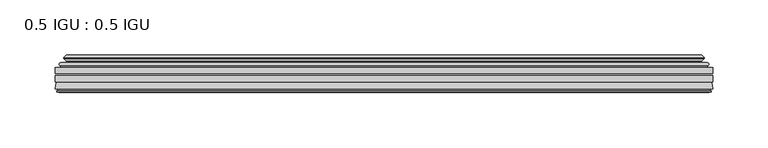
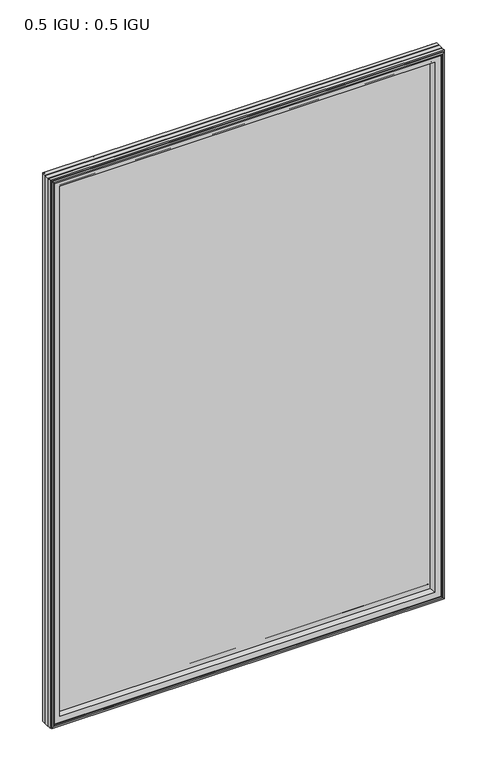
"""IFC4 building model written with IfcOpenShell, lengths in millimetres: plate geometry, 0.5 IGU : 0.5 IGU."""

from ifc_helpers import new_model, si_unit, frame, origin, place, context, project, spatial, polyline, ellipse_curve, outline, extrude, source, transform, mapped, element, save
from ifc_brep_helpers import plane_surface, cylinder_surface, revolved_surface, advanced_brep


def plate_0_5_igu_0_5_igu_fa25ef58(model_context):
    return source(origin(), model_context, "Body", "SolidModel", [
        extrude(outline(polyline([(296.8798663, -55.82285), (296.8798663, -61.48705), (-296.8656913, -61.48705), (-296.8656913, -55.82285), (296.8798663, -55.82285)])), frame((0.0, 0.0, -14.2875), z_axis=(0.0, 0.0, 1.0), x_axis=(1.0, 0.0, 0.0)), (0.0, 0.0, 1.0), 873.1287979),
        extrude(outline(polyline([(-296.8656913, -69.05625), (-296.8656913, -63.39205), (296.8798663, -63.39205), (296.8798663, -69.05625), (-296.8656913, -69.05625)])), frame((0.0, 0.0, -14.2875), z_axis=(0.0, 0.0, 1.0), x_axis=(1.0, 0.0, 0.0)), (0.0, 0.0, 1.0), 873.1287979),
        advanced_brep(
        [(-292.7631539, -54.3724927, 854.7349626), (-291.7186291, -51.60645, 853.6904378), (-291.7186291, -51.60645, -9.1404378), (-292.7631539, -54.3724927, -10.1849626), (-291.1267083, -55.82285, 853.098517), (-291.1267083, -55.82285, -8.548517), (-282.5781913, -45.63745, 844.55), (-278.9954674, -55.82285, 840.9672761), (-278.9954674, -55.82285, 3.5827239), (-282.5781913, -45.63745, 0.0), (-287.7641022, -46.8185491, 849.7359109), (-287.7641022, -46.8185491, -5.1859109), (-286.9670806, -44.8183085, 848.9388893), (-286.9670806, -44.8183085, -4.3888893), (-289.2508024, -47.135817, 851.2226111), (-289.2508024, -47.135817, -6.6726111), (-289.2508024, -47.8489429, 851.2226111), (-289.2508024, -47.8489429, -6.6726111), (-286.9670806, -50.1664515, 848.9388893), (-286.9670806, -50.1664515, -4.3888893), (-287.7564414, -48.1854367, 849.7282501), (-287.7564414, -48.1854367, -5.1782501), (-285.2326292, -48.027045, 847.2044379), (-285.2326292, -48.027045, -2.6544379), (-284.206813, -48.7147544, 846.1786217), (-284.206813, -48.7147544, -1.6286217), (-284.3252202, -50.1092231, 846.2970288), (-284.3252202, -50.1092231, -1.7470288), (-284.9269661, -51.60645, 846.8987748), (-284.9269661, -51.60645, -2.3487748), (291.7186291, -51.60645, -9.1404378), (292.7631539, -54.3724927, -10.1849626), (291.1267083, -55.82285, -8.548517), (278.9954674, -55.82285, 3.5827239), (282.5781913, -45.63745, 0.0), (287.7641022, -46.8185491, -5.1859109), (286.9670806, -44.8183085, -4.3888893), (289.2508024, -47.135817, -6.6726111), (289.2508024, -47.8489429, -6.6726111), (286.9670806, -50.1664515, -4.3888893), (287.7564414, -48.1854367, -5.1782501), (285.2326292, -48.027045, -2.6544379), (284.206813, -48.7147544, -1.6286217), (284.3252202, -50.1092231, -1.7470288), (284.9269661, -51.60645, -2.3487748), (291.7186291, -51.60645, 853.6904378), (292.7631539, -54.3724927, 854.7349626), (291.1267083, -55.82285, 853.098517), (278.9954674, -55.82285, 840.9672761), (282.5781913, -45.63745, 844.55), (287.7641022, -46.8185491, 849.7359109), (286.9670806, -44.8183085, 848.9388893), (289.2508024, -47.135817, 851.2226111), (289.2508024, -47.8489429, 851.2226111), (286.9670806, -50.1664515, 848.9388893), (287.7564414, -48.1854367, 849.7282501), (285.2326292, -48.027045, 847.2044379), (284.206813, -48.7147544, 846.1786217), (284.3252202, -50.1092231, 846.2970288), (284.9269661, -51.60645, 846.8987748)],
        [
            (0, 1, ellipse_curve(frame((-291.7102616, -53.1898501, 853.6820703), z_axis=(-0.7071067811865475, 0.0, -0.7071067811865475), x_axis=(-0.7071067811865474, 0.0, 0.7071067811865476)), 2.2392971, 1.5834222)),
            (1, 2),
            (2, 3, ellipse_curve(frame((-291.7102616, -53.1898501, -9.1320703), z_axis=(-0.7071067811865475, 0.0, 0.7071067811865475), x_axis=(0.7071067811865474, 0.0, 0.7071067811865476)), 2.2392971, 1.5834222)),
            (3, 0),
            (4, 0),
            (3, 5),
            (5, 4),
            (6, 7, ellipse_curve(frame((-250.2984374, -40.0058297, 812.270246), z_axis=(0.7071067811865475, 0.0, 0.7071067811865475), x_axis=(0.7071067811865474, 0.0, -0.7071067811865476)), 46.3399971, 32.7673262)),
            (7, 8),
            (8, 9, ellipse_curve(frame((-250.2984374, -40.0058297, 32.279754), z_axis=(0.7071067811865475, 0.0, -0.7071067811865475), x_axis=(-0.7071067811865474, 0.0, -0.7071067811865476)), 46.3399971, 32.7673262)),
            (9, 6),
            (10, 6),
            (9, 11),
            (11, 10),
            (12, 10),
            (11, 13),
            (13, 12),
            (14, 12),
            (13, 15),
            (15, 14),
            (16, 14, ellipse_curve(frame((-288.8889642, -47.49238, 850.8607729), z_axis=(-0.7071067811865475, 0.0, -0.7071067811865475), x_axis=(-0.7071067811865474, 0.0, 0.7071067811865476)), 0.7184205, 0.508)),
            (15, 17, ellipse_curve(frame((-288.8889642, -47.49238, -6.3107729), z_axis=(-0.7071067811865475, 0.0, 0.7071067811865475), x_axis=(0.7071067811865474, 0.0, 0.7071067811865476)), 0.7184205, 0.508)),
            (17, 16),
            (18, 16),
            (17, 19),
            (19, 18),
            (20, 18),
            (19, 21),
            (21, 20),
            (22, 20),
            (21, 23),
            (23, 22),
            (24, 22, ellipse_curve(frame((-285.1689913, -49.04105, 847.1408), z_axis=(0.7071067811865475, 0.0, 0.7071067811865475), x_axis=(0.7071067811865474, 0.0, -0.7071067811865476)), 1.436841, 1.016)),
            (23, 25, ellipse_curve(frame((-285.1689913, -49.04105, -2.5908), z_axis=(0.7071067811865475, 0.0, -0.7071067811865475), x_axis=(-0.7071067811865474, 0.0, -0.7071067811865476)), 1.436841, 1.016)),
            (25, 24),
            (26, 24, ellipse_curve(frame((-286.5405913, -49.21885, 848.5124), z_axis=(0.7071067811865475, 0.0, 0.7071067811865475), x_axis=(0.7071067811865474, 0.0, -0.7071067811865476)), 3.3765763, 2.3876)),
            (25, 27, ellipse_curve(frame((-286.5405913, -49.21885, -3.9624), z_axis=(0.7071067811865475, 0.0, -0.7071067811865475), x_axis=(-0.7071067811865474, 0.0, -0.7071067811865476)), 3.3765763, 2.3876)),
            (27, 26),
            (28, 26),
            (27, 29),
            (29, 28),
            (2, 30),
            (30, 31, ellipse_curve(frame((291.7102616, -53.1898501, -9.1320703), z_axis=(-0.7071067811865475, 0.0, -0.7071067811865475), x_axis=(-0.7071067811865476, 0.0, 0.7071067811865474)), 2.2392971, 1.5834222)),
            (31, 3),
            (31, 32),
            (32, 5),
            (8, 33),
            (33, 34, ellipse_curve(frame((250.2984374, -40.0058297, 32.279754), z_axis=(0.7071067811865475, 0.0, 0.7071067811865475), x_axis=(0.7071067811865476, 0.0, -0.7071067811865474)), 46.3399971, 32.7673262)),
            (34, 9),
            (34, 35),
            (35, 11),
            (35, 36),
            (36, 13),
            (36, 37),
            (37, 15),
            (37, 38, ellipse_curve(frame((288.8889642, -47.49238, -6.3107729), z_axis=(-0.7071067811865475, 0.0, -0.7071067811865475), x_axis=(-0.7071067811865476, 0.0, 0.7071067811865474)), 0.7184205, 0.508)),
            (38, 17),
            (38, 39),
            (39, 19),
            (39, 40),
            (40, 21),
            (40, 41),
            (41, 23),
            (41, 42, ellipse_curve(frame((285.1689913, -49.04105, -2.5908), z_axis=(0.7071067811865475, 0.0, 0.7071067811865475), x_axis=(0.7071067811865476, 0.0, -0.7071067811865474)), 1.436841, 1.016)),
            (42, 25),
            (42, 43, ellipse_curve(frame((286.5405913, -49.21885, -3.9624), z_axis=(0.7071067811865475, 0.0, 0.7071067811865475), x_axis=(0.7071067811865476, 0.0, -0.7071067811865474)), 3.3765763, 2.3876)),
            (43, 27),
            (43, 44),
            (44, 29),
            (30, 45),
            (45, 46, ellipse_curve(frame((291.7102616, -53.1898501, 853.6820703), z_axis=(0.7071067811865475, 0.0, -0.7071067811865475), x_axis=(-0.7071067811865474, 0.0, -0.7071067811865476)), 2.2392971, 1.5834222)),
            (46, 31),
            (46, 47),
            (47, 32),
            (33, 48),
            (48, 49, ellipse_curve(frame((250.2984374, -40.0058297, 812.270246), z_axis=(-0.7071067811865475, 0.0, 0.7071067811865475), x_axis=(0.7071067811865474, 0.0, 0.7071067811865476)), 46.3399971, 32.7673262)),
            (49, 34),
            (49, 50),
            (50, 35),
            (50, 51),
            (51, 36),
            (51, 52),
            (52, 37),
            (52, 53, ellipse_curve(frame((288.8889642, -47.49238, 850.8607729), z_axis=(0.7071067811865475, 0.0, -0.7071067811865475), x_axis=(-0.7071067811865474, 0.0, -0.7071067811865476)), 0.7184205, 0.508)),
            (53, 38),
            (53, 54),
            (54, 39),
            (54, 55),
            (55, 40),
            (55, 56),
            (56, 41),
            (56, 57, ellipse_curve(frame((285.1689913, -49.04105, 847.1408), z_axis=(-0.7071067811865475, 0.0, 0.7071067811865475), x_axis=(0.7071067811865474, 0.0, 0.7071067811865476)), 1.436841, 1.016)),
            (57, 42),
            (57, 58, ellipse_curve(frame((286.5405913, -49.21885, 848.5124), z_axis=(-0.7071067811865475, 0.0, 0.7071067811865475), x_axis=(0.7071067811865474, 0.0, 0.7071067811865476)), 3.3765763, 2.3876)),
            (58, 43),
            (58, 59),
            (59, 44),
            (45, 1),
            (0, 46),
            (4, 47),
            (7, 48),
            (6, 49),
            (10, 50),
            (12, 51),
            (14, 52),
            (16, 53),
            (18, 54),
            (20, 55),
            (22, 56),
            (24, 57),
            (26, 58),
            (28, 59),
        ],
        [
            cylinder_surface(frame((-291.7102616, -53.1898501, 876.3), z_axis=(0.0, 0.0, 1.0), x_axis=(-1.0, 0.0, 0.0)), 1.5834222),
            plane_surface(frame((-292.7631539, -54.3724927, 854.7349626), z_axis=(-0.6632745773184306, -0.7483761320907135, 0.0), x_axis=(0.0, 0.0, -1.0))),
            revolved_surface(polyline([(-283.0657636, -40.0058297, -0.48757218957496207), (-283.0657636, -40.0058297, 845.037572189575)]), (-250.2984374, -40.0058297, 876.3), (0.0, 0.0, -1.0)),
            plane_surface(frame((-282.5781913, -45.63745, 844.55), z_axis=(-0.2220649844278743, 0.975031867525902, 0.0), x_axis=(0.0, 0.0, -1.0))),
            plane_surface(frame((-287.7641022, -46.8185491, 849.7359109), z_axis=(0.9289682685630282, -0.370159365683228, 0.0), x_axis=(0.0, 0.0, -1.0))),
            plane_surface(frame((-286.9670806, -44.8183085, 848.9388893), z_axis=(-0.7122798501733507, 0.7018955869907071, 0.0), x_axis=(0.0, 0.0, -1.0))),
            cylinder_surface(frame((-288.8889642, -47.49238, 876.3), z_axis=(0.0, 0.0, 1.0), x_axis=(-1.0, 0.0, 0.0)), 0.508),
            plane_surface(frame((-289.2508024, -47.8489429, 851.2226111), z_axis=(-0.7122798501732925, -0.701895586990766, 0.0), x_axis=(0.0, 0.0, -1.0))),
            plane_surface(frame((-286.9670806, -50.1664515, 848.9388893), z_axis=(0.9289682685628707, 0.3701593656836228, 0.0), x_axis=(0.0, 0.0, -1.0))),
            plane_surface(frame((-287.7564414, -48.1854367, 849.7282501), z_axis=(0.0626357011928498, -0.9980364567169279, 0.0), x_axis=(0.0, 0.0, -1.0))),
            revolved_surface(polyline([(-286.18499130000004, -49.04105, -3.606800014586838), (-286.18499130000004, -49.04105, 848.1568000145869)]), (-285.1689913, -49.04105, 876.3), (0.0, 0.0, -1.0)),
            revolved_surface(polyline([(-288.92819130000004, -49.21885, -6.3499999989237494), (-288.92819130000004, -49.21885, 850.8999999989237)]), (-286.5405913, -49.21885, 876.3), (0.0, 0.0, -1.0)),
            plane_surface(frame((-284.3252202, -50.1092231, 846.2970288), z_axis=(-0.9278652925428184, 0.3729155385532094, 0.0), x_axis=(0.0, 0.0, -1.0))),
            cylinder_surface(frame((-314.3281913, -53.1898501, -9.1320703), z_axis=(-1.0, 0.0, 0.0), x_axis=(0.0, 0.0, -1.0)), 1.5834222),
            plane_surface(frame((-292.7631539, -54.3724927, -10.1849626), z_axis=(0.0, -0.7483761320907157, -0.6632745773184283), x_axis=(1.0, 0.0, 0.0))),
            revolved_surface(polyline([(283.06576358957506, -40.0058297, -0.48757220000000245), (-283.06576358957494, -40.0058297, -0.48757220000000245)]), (-314.3281913, -40.0058297, 32.279754), (1.0, 0.0, 0.0)),
            plane_surface(frame((-282.5781913, -45.63745, 0.0), z_axis=(0.0, 0.9750318675259013, -0.22206498442787745), x_axis=(1.0, 0.0, 0.0))),
            plane_surface(frame((-287.7641022, -46.8185491, -5.1859109), z_axis=(0.0, -0.370159365683225, 0.9289682685630294), x_axis=(1.0, 0.0, 0.0))),
            plane_surface(frame((-286.9670806, -44.8183085, -4.3888893), z_axis=(0.0, 0.7018955869907048, -0.7122798501733529), x_axis=(1.0, 0.0, 0.0))),
            cylinder_surface(frame((-314.3281913, -47.49238, -6.3107729), z_axis=(-1.0, 0.0, 0.0), x_axis=(0.0, 0.0, -1.0)), 0.508),
            plane_surface(frame((-289.2508024, -47.8489429, -6.6726111), z_axis=(0.0, -0.7018955869907684, -0.7122798501732903), x_axis=(1.0, 0.0, 0.0))),
            plane_surface(frame((-286.9670806, -50.1664515, -4.3888893), z_axis=(0.0, 0.37015936568362584, 0.9289682685628696), x_axis=(1.0, 0.0, 0.0))),
            plane_surface(frame((-287.7564414, -48.1854367, -5.1782501), z_axis=(0.0, -0.9980364567169276, 0.06263570119285301), x_axis=(1.0, 0.0, 0.0))),
            revolved_surface(polyline([(286.18499131458697, -49.04105, -3.6068000000000002), (-286.18499131458685, -49.04105, -3.6068000000000002)]), (-314.3281913, -49.04105, -2.5908), (1.0, 0.0, 0.0)),
            revolved_surface(polyline([(288.92819129892376, -49.21885, -6.35), (-288.9281912989238, -49.21885, -6.35)]), (-314.3281913, -49.21885, -3.9624), (1.0, 0.0, 0.0)),
            plane_surface(frame((-284.3252202, -50.1092231, -1.7470288), z_axis=(0.0, 0.3729155385532064, -0.9278652925428196), x_axis=(1.0, 0.0, 0.0))),
            cylinder_surface(frame((291.7102616, -53.1898501, -31.75), z_axis=(0.0, 0.0, -1.0), x_axis=(1.0, 0.0, 0.0)), 1.5834222),
            plane_surface(frame((292.7631539, -54.3724927, -10.1849626), z_axis=(0.6632745773184259, -0.7483761320907178, 0.0), x_axis=(0.0, 0.0, 1.0))),
            revolved_surface(polyline([(283.0657636, -40.0058297, 845.037572189575), (283.0657636, -40.0058297, -0.48757218957494075)]), (250.2984374, -40.0058297, -31.75), (0.0, 0.0, 1.0)),
            plane_surface(frame((282.5781913, -45.63745, 0.0), z_axis=(0.22206498442788056, 0.9750318675259005, 0.0), x_axis=(0.0, 0.0, 1.0))),
            plane_surface(frame((287.7641022, -46.8185491, -5.1859109), z_axis=(-0.9289682685630306, -0.370159365683222, 0.0), x_axis=(0.0, 0.0, 1.0))),
            plane_surface(frame((286.9670806, -44.8183085, -4.3888893), z_axis=(0.7122798501733552, 0.7018955869907024, 0.0), x_axis=(0.0, 0.0, 1.0))),
            cylinder_surface(frame((288.8889642, -47.49238, -31.75), z_axis=(0.0, 0.0, -1.0), x_axis=(1.0, 0.0, 0.0)), 0.508),
            plane_surface(frame((289.2508024, -47.8489429, -6.6726111), z_axis=(0.712279850173288, -0.7018955869907706, 0.0), x_axis=(0.0, 0.0, 1.0))),
            plane_surface(frame((286.9670806, -50.1664515, -4.3888893), z_axis=(-0.9289682685628684, 0.37015936568362884, 0.0), x_axis=(0.0, 0.0, 1.0))),
            plane_surface(frame((287.7564414, -48.1854367, -5.1782501), z_axis=(-0.06263570119285623, -0.9980364567169274, 0.0), x_axis=(0.0, 0.0, 1.0))),
            revolved_surface(polyline([(286.18499130000004, -49.04105, 848.1568000145869), (286.18499130000004, -49.04105, -3.606800014586863)]), (285.1689913, -49.04105, -31.75), (0.0, 0.0, 1.0)),
            revolved_surface(polyline([(288.92819130000004, -49.21885, 850.8999999989237), (288.92819130000004, -49.21885, -6.349999998923781)]), (286.5405913, -49.21885, -31.75), (0.0, 0.0, 1.0)),
            plane_surface(frame((284.3252202, -50.1092231, -1.7470288), z_axis=(0.9278652925428208, 0.3729155385532034, 0.0), x_axis=(0.0, 0.0, 1.0))),
            cylinder_surface(frame((314.3281913, -53.1898501, 853.6820703), z_axis=(1.0, 0.0, 0.0), x_axis=(0.0, 0.0, 1.0)), 1.5834222),
            plane_surface(frame((292.7631539, -54.3724927, 854.7349626), z_axis=(0.0, -0.7483761320907157, 0.6632745773184283), x_axis=(-1.0, 0.0, 0.0))),
            plane_surface(frame((291.1267083, -55.82285, 853.098517), z_axis=(0.0, -1.0, 0.0), x_axis=(-1.0, 0.0, 0.0))),
            revolved_surface(polyline([(-283.06576358957506, -40.0058297, 845.0375722), (283.06576358957494, -40.0058297, 845.0375722)]), (314.3281913, -40.0058297, 812.270246), (-1.0, 0.0, 0.0)),
            plane_surface(frame((282.5781913, -45.63745, 844.55), z_axis=(0.0, 0.9750318675259012, 0.22206498442787742), x_axis=(-1.0, 0.0, 0.0))),
            plane_surface(frame((287.7641022, -46.8185491, 849.7359109), z_axis=(0.0, -0.370159365683225, -0.9289682685630294), x_axis=(-1.0, 0.0, 0.0))),
            plane_surface(frame((286.9670806, -44.8183085, 848.9388893), z_axis=(0.0, 0.7018955869907048, 0.7122798501733529), x_axis=(-1.0, 0.0, 0.0))),
            cylinder_surface(frame((314.3281913, -47.49238, 850.8607729), z_axis=(1.0, 0.0, 0.0), x_axis=(0.0, 0.0, 1.0)), 0.508),
            plane_surface(frame((289.2508024, -47.8489429, 851.2226111), z_axis=(0.0, -0.7018955869907684, 0.7122798501732903), x_axis=(-1.0, 0.0, 0.0))),
            plane_surface(frame((286.9670806, -50.1664515, 848.9388893), z_axis=(0.0, 0.37015936568362584, -0.9289682685628696), x_axis=(-1.0, 0.0, 0.0))),
            plane_surface(frame((287.7564414, -48.1854367, 849.7282501), z_axis=(0.0, -0.9980364567169276, -0.06263570119285301), x_axis=(-1.0, 0.0, 0.0))),
            revolved_surface(polyline([(-286.18499131458697, -49.04105, 848.1568), (286.18499131458685, -49.04105, 848.1568)]), (314.3281913, -49.04105, 847.1408), (-1.0, 0.0, 0.0)),
            revolved_surface(polyline([(-288.92819129892376, -49.21885, 850.9), (288.9281912989238, -49.21885, 850.9)]), (314.3281913, -49.21885, 848.5124), (-1.0, 0.0, 0.0)),
            plane_surface(frame((284.3252202, -50.1092231, 846.2970288), z_axis=(0.0, 0.3729155385532064, 0.9278652925428196), x_axis=(-1.0, 0.0, 0.0))),
            plane_surface(frame((284.9269661, -51.60645, 846.8987748), z_axis=(0.0, 1.0, 0.0), x_axis=(-1.0, 0.0, 0.0))),
        ],
        [
            (0, [[1, 2, 3, 4]]),
            (1, [[5, -4, 6, 7]]),
            (2, [[8, 9, 10, 11]]),
            (3, [[12, -11, 13, 14]]),
            (4, [[15, -14, 16, 17]]),
            (5, [[18, -17, 19, 20]]),
            (6, [[21, -20, 22, 23]]),
            (7, [[24, -23, 25, 26]]),
            (8, [[27, -26, 28, 29]]),
            (9, [[30, -29, 31, 32]]),
            (10, [[33, -32, 34, 35]]),
            (11, [[36, -35, 37, 38]]),
            (12, [[39, -38, 40, 41]]),
            (13, [[-3, 42, 43, 44]]),
            (14, [[-6, -44, 45, 46]]),
            (15, [[-10, 47, 48, 49]]),
            (16, [[-13, -49, 50, 51]]),
            (17, [[-16, -51, 52, 53]]),
            (18, [[-19, -53, 54, 55]]),
            (19, [[-22, -55, 56, 57]]),
            (20, [[-25, -57, 58, 59]]),
            (21, [[-28, -59, 60, 61]]),
            (22, [[-31, -61, 62, 63]]),
            (23, [[-34, -63, 64, 65]]),
            (24, [[-37, -65, 66, 67]]),
            (25, [[-40, -67, 68, 69]]),
            (26, [[-43, 70, 71, 72]]),
            (27, [[-45, -72, 73, 74]]),
            (28, [[-48, 75, 76, 77]]),
            (29, [[-50, -77, 78, 79]]),
            (30, [[-52, -79, 80, 81]]),
            (31, [[-54, -81, 82, 83]]),
            (32, [[-56, -83, 84, 85]]),
            (33, [[-58, -85, 86, 87]]),
            (34, [[-60, -87, 88, 89]]),
            (35, [[-62, -89, 90, 91]]),
            (36, [[-64, -91, 92, 93]]),
            (37, [[-66, -93, 94, 95]]),
            (38, [[-68, -95, 96, 97]]),
            (39, [[-71, 98, -1, 99]]),
            (40, [[-73, -99, -5, 100]]),
            (41, [[-46, -74, -100, -7], [101, -75, -47, -9]]),
            (42, [[-76, -101, -8, 102]]),
            (43, [[-78, -102, -12, 103]]),
            (44, [[-80, -103, -15, 104]]),
            (45, [[-82, -104, -18, 105]]),
            (46, [[-84, -105, -21, 106]]),
            (47, [[-86, -106, -24, 107]]),
            (48, [[-88, -107, -27, 108]]),
            (49, [[-90, -108, -30, 109]]),
            (50, [[-92, -109, -33, 110]]),
            (51, [[-94, -110, -36, 111]]),
            (52, [[-96, -111, -39, 112]]),
            (53, [[-98, -70, -42, -2], [-69, -97, -112, -41]]),
        ],
    ),
        advanced_brep(
        [(-296.8783913, -75.40625, 858.8502), (-296.1836075, -69.7476901, 858.1554162), (-296.1836075, -69.7476901, -13.6054162), (-296.8783913, -75.40625, -14.3002), (-294.4907913, -77.3973143, 856.4626), (-294.9479913, -75.40625, 856.9198), (-294.9479913, -75.40625, -12.3698), (-294.4907913, -77.3973143, -11.9126), (-295.4921532, -77.1290001, 857.4639619), (-295.4921532, -77.1290001, -12.9139619), (-295.7353913, -78.0367772, 857.7072), (-295.7353913, -78.0367772, -13.1572), (-293.7033913, -78.58125, 855.6752), (-293.7033913, -78.58125, -11.1252), (-291.6713913, -78.0367772, 853.6432), (-291.6713913, -78.0367772, -9.0932), (-291.9146295, -77.1290001, 853.8864381), (-291.9146295, -77.1290001, -9.3364381), (-292.9159913, -77.3973143, 854.8878), (-292.9159913, -77.3973143, -10.3378), (-292.4587913, -75.40625, 854.4306), (-292.4587913, -75.40625, -9.8806), (-278.9887283, -69.05625, 840.9605369), (-282.5781913, -75.40625, 844.55), (-282.5781913, -75.40625, 0.0), (-278.9887283, -69.05625, 3.5894631), (-295.4020767, -69.05625, 857.3738854), (-295.4020767, -69.05625, -12.8238854), (296.1836075, -69.7476901, -13.6054162), (296.8783913, -75.40625, -14.3002), (294.9479913, -75.40625, -12.3698), (294.4907913, -77.3973143, -11.9126), (295.4921532, -77.1290001, -12.9139619), (295.7353913, -78.0367772, -13.1572), (293.7033913, -78.58125, -11.1252), (291.6713913, -78.0367772, -9.0932), (291.9146295, -77.1290001, -9.3364381), (292.9159913, -77.3973143, -10.3378), (292.4587913, -75.40625, -9.8806), (282.5781913, -75.40625, 0.0), (278.9887283, -69.05625, 3.5894631), (295.4020767, -69.05625, -12.8238854), (296.1836075, -69.7476901, 858.1554162), (296.8783913, -75.40625, 858.8502), (294.9479913, -75.40625, 856.9198), (294.4907913, -77.3973143, 856.4626), (295.4921532, -77.1290001, 857.4639619), (295.7353913, -78.0367772, 857.7072), (293.7033913, -78.58125, 855.6752), (291.6713913, -78.0367772, 853.6432), (291.9146295, -77.1290001, 853.8864381), (292.9159913, -77.3973143, 854.8878), (292.4587913, -75.40625, 854.4306), (282.5781913, -75.40625, 844.55), (278.9887283, -69.05625, 840.9605369), (295.4020767, -69.05625, 857.3738854)],
        [
            (0, 1),
            (1, 2),
            (2, 3),
            (3, 0),
            (4, 5),
            (5, 6),
            (6, 7),
            (7, 4),
            (8, 4),
            (7, 9),
            (9, 8),
            (10, 8),
            (9, 11),
            (11, 10),
            (12, 10),
            (11, 13),
            (13, 12),
            (14, 12),
            (13, 15),
            (15, 14),
            (16, 14),
            (15, 17),
            (17, 16),
            (18, 16),
            (17, 19),
            (19, 18),
            (20, 18),
            (19, 21),
            (21, 20),
            (22, 23, ellipse_curve(frame((-274.1019027, -76.0081323, 836.0737114), z_axis=(0.7071067811865475, 0.0, 0.7071067811865475), x_axis=(0.7071067811865474, 0.0, -0.7071067811865476)), 12.0174649, 8.4976309)),
            (23, 24),
            (24, 25, ellipse_curve(frame((-274.1019027, -76.0081323, 8.4762886), z_axis=(0.7071067811865475, 0.0, -0.7071067811865475), x_axis=(-0.7071067811865474, 0.0, -0.7071067811865476)), 12.0174649, 8.4976309)),
            (25, 22),
            (1, 26, ellipse_curve(frame((-295.4020767, -69.84365, 857.3738854), z_axis=(-0.7071067811865475, 0.0, -0.7071067811865475), x_axis=(-0.7071067811865474, 0.0, 0.7071067811865476)), 1.1135518, 0.7874)),
            (26, 27),
            (27, 2, ellipse_curve(frame((-295.4020767, -69.84365, -12.8238854), z_axis=(-0.7071067811865475, 0.0, 0.7071067811865475), x_axis=(0.7071067811865474, 0.0, 0.7071067811865476)), 1.1135518, 0.7874)),
            (2, 28),
            (28, 29),
            (29, 3),
            (6, 30),
            (30, 31),
            (31, 7),
            (31, 32),
            (32, 9),
            (32, 33),
            (33, 11),
            (33, 34),
            (34, 13),
            (34, 35),
            (35, 15),
            (35, 36),
            (36, 17),
            (36, 37),
            (37, 19),
            (37, 38),
            (38, 21),
            (24, 39),
            (39, 40, ellipse_curve(frame((274.1019027, -76.0081323, 8.4762886), z_axis=(0.7071067811865475, 0.0, 0.7071067811865475), x_axis=(0.7071067811865476, 0.0, -0.7071067811865474)), 12.0174649, 8.4976309)),
            (40, 25),
            (27, 41),
            (41, 28, ellipse_curve(frame((295.4020767, -69.84365, -12.8238854), z_axis=(-0.7071067811865475, 0.0, -0.7071067811865475), x_axis=(-0.7071067811865476, 0.0, 0.7071067811865474)), 1.1135518, 0.7874)),
            (28, 42),
            (42, 43),
            (43, 29),
            (30, 44),
            (44, 45),
            (45, 31),
            (45, 46),
            (46, 32),
            (46, 47),
            (47, 33),
            (47, 48),
            (48, 34),
            (48, 49),
            (49, 35),
            (49, 50),
            (50, 36),
            (50, 51),
            (51, 37),
            (51, 52),
            (52, 38),
            (39, 53),
            (53, 54, ellipse_curve(frame((274.1019027, -76.0081323, 836.0737114), z_axis=(-0.7071067811865475, 0.0, 0.7071067811865475), x_axis=(0.7071067811865474, 0.0, 0.7071067811865476)), 12.0174649, 8.4976309)),
            (54, 40),
            (41, 55),
            (55, 42, ellipse_curve(frame((295.4020767, -69.84365, 857.3738854), z_axis=(0.7071067811865475, 0.0, -0.7071067811865475), x_axis=(-0.7071067811865474, 0.0, -0.7071067811865476)), 1.1135518, 0.7874)),
            (42, 1),
            (0, 43),
            (5, 44),
            (4, 45),
            (8, 46),
            (10, 47),
            (12, 48),
            (14, 49),
            (16, 50),
            (18, 51),
            (20, 52),
            (23, 53),
            (22, 54),
            (26, 55),
        ],
        [
            plane_surface(frame((-296.1836075, -69.7476901, 858.1554162), z_axis=(-0.992546151641325, 0.12186934340512405, 0.0), x_axis=(0.0, 0.0, -1.0))),
            plane_surface(frame((-294.9479913, -75.40625, 856.9198), z_axis=(-0.9746347637895902, -0.22380142361658398, 0.0), x_axis=(0.0, 0.0, -1.0))),
            plane_surface(frame((-294.4907913, -77.3973143, 856.4626), z_axis=(0.2588190451026526, 0.965925826289033, 0.0), x_axis=(0.0, 0.0, -1.0))),
            plane_surface(frame((-295.4921532, -77.1290001, 857.4639619), z_axis=(-0.9659258262890449, 0.2588190451026083, 0.0), x_axis=(0.0, 0.0, -1.0))),
            plane_surface(frame((-295.7353913, -78.0367772, 857.7072), z_axis=(-0.2588190451024403, -0.96592582628909, 0.0), x_axis=(0.0, 0.0, -1.0))),
            plane_surface(frame((-293.7033913, -78.58125, 855.6752), z_axis=(0.2588190451025434, -0.9659258262890623, 0.0), x_axis=(0.0, 0.0, -1.0))),
            plane_surface(frame((-291.6713913, -78.0367772, 853.6432), z_axis=(0.9659258262891713, 0.25881904510213655, 0.0), x_axis=(0.0, 0.0, -1.0))),
            plane_surface(frame((-291.9146295, -77.1290001, 853.8864381), z_axis=(-0.25881904510234177, 0.9659258262891163, 0.0), x_axis=(0.0, 0.0, -1.0))),
            plane_surface(frame((-292.9159913, -77.3973143, 854.8878), z_axis=(0.9746347637895849, -0.22380142361660743, 0.0), x_axis=(0.0, 0.0, -1.0))),
            revolved_surface(polyline([(-282.5995336, -76.0081323, -0.02134232346134013), (-282.5995336, -76.0081323, 844.5713423234613)]), (-274.1019027, -76.0081323, 876.3), (0.0, 0.0, -1.0)),
            cylinder_surface(frame((-295.4020767, -69.84365, 876.3), z_axis=(0.0, 0.0, 1.0), x_axis=(-1.0, 0.0, 0.0)), 0.7874),
            plane_surface(frame((-296.1836075, -69.7476901, -13.6054162), z_axis=(0.0, 0.12186934340512084, -0.9925461516413254), x_axis=(1.0, 0.0, 0.0))),
            plane_surface(frame((-294.9479913, -75.40625, -12.3698), z_axis=(0.0, -0.22380142361658714, -0.9746347637895896), x_axis=(1.0, 0.0, 0.0))),
            plane_surface(frame((-294.4907913, -77.3973143, -11.9126), z_axis=(0.0, 0.9659258262890339, 0.25881904510264947), x_axis=(1.0, 0.0, 0.0))),
            plane_surface(frame((-295.4921532, -77.1290001, -12.9139619), z_axis=(0.0, 0.25881904510260517, -0.9659258262890458), x_axis=(1.0, 0.0, 0.0))),
            plane_surface(frame((-295.7353913, -78.0367772, -13.1572), z_axis=(0.0, -0.9659258262890907, -0.25881904510243714), x_axis=(1.0, 0.0, 0.0))),
            plane_surface(frame((-293.7033913, -78.58125, -11.1252), z_axis=(0.0, -0.9659258262890614, 0.2588190451025465), x_axis=(1.0, 0.0, 0.0))),
            plane_surface(frame((-291.6713913, -78.0367772, -9.0932), z_axis=(0.0, 0.25881904510213966, 0.9659258262891705), x_axis=(1.0, 0.0, 0.0))),
            plane_surface(frame((-291.9146295, -77.1290001, -9.3364381), z_axis=(0.0, 0.9659258262891154, -0.2588190451023449), x_axis=(1.0, 0.0, 0.0))),
            plane_surface(frame((-292.9159913, -77.3973143, -10.3378), z_axis=(0.0, -0.2238014236166043, 0.9746347637895857), x_axis=(1.0, 0.0, 0.0))),
            revolved_surface(polyline([(282.59953362346135, -76.0081323, -0.02134230000000059), (-282.5995336234613, -76.0081323, -0.02134230000000059)]), (-314.3281913, -76.0081323, 8.4762886), (1.0, 0.0, 0.0)),
            cylinder_surface(frame((-314.3281913, -69.84365, -12.8238854), z_axis=(-1.0, 0.0, 0.0), x_axis=(0.0, 0.0, -1.0)), 0.7874),
            plane_surface(frame((296.1836075, -69.7476901, -13.6054162), z_axis=(0.9925461516413259, 0.12186934340511764, 0.0), x_axis=(0.0, 0.0, 1.0))),
            plane_surface(frame((294.9479913, -75.40625, -12.3698), z_axis=(0.9746347637895888, -0.22380142361659028, 0.0), x_axis=(0.0, 0.0, 1.0))),
            plane_surface(frame((294.4907913, -77.3973143, -11.9126), z_axis=(-0.25881904510264636, 0.9659258262890348, 0.0), x_axis=(0.0, 0.0, 1.0))),
            plane_surface(frame((295.4921532, -77.1290001, -12.9139619), z_axis=(0.9659258262890467, 0.25881904510260206, 0.0), x_axis=(0.0, 0.0, 1.0))),
            plane_surface(frame((295.7353913, -78.0367772, -13.1572), z_axis=(0.25881904510243403, -0.9659258262890916, 0.0), x_axis=(0.0, 0.0, 1.0))),
            plane_surface(frame((293.7033913, -78.58125, -11.1252), z_axis=(-0.25881904510254966, -0.9659258262890607, 0.0), x_axis=(0.0, 0.0, 1.0))),
            plane_surface(frame((291.6713913, -78.0367772, -9.0932), z_axis=(-0.9659258262891696, 0.25881904510214276, 0.0), x_axis=(0.0, 0.0, 1.0))),
            plane_surface(frame((291.9146295, -77.1290001, -9.3364381), z_axis=(0.25881904510234804, 0.9659258262891146, 0.0), x_axis=(0.0, 0.0, 1.0))),
            plane_surface(frame((292.9159913, -77.3973143, -10.3378), z_axis=(-0.9746347637895864, -0.22380142361660113, 0.0), x_axis=(0.0, 0.0, 1.0))),
            revolved_surface(polyline([(282.5995336, -76.0081323, 844.5713423234613), (282.5995336, -76.0081323, -0.021342323461311707)]), (274.1019027, -76.0081323, -31.75), (0.0, 0.0, 1.0)),
            cylinder_surface(frame((295.4020767, -69.84365, -31.75), z_axis=(0.0, 0.0, -1.0), x_axis=(1.0, 0.0, 0.0)), 0.7874),
            plane_surface(frame((296.1836075, -69.7476901, 858.1554162), z_axis=(0.0, 0.12186934340512084, 0.9925461516413254), x_axis=(-1.0, 0.0, 0.0))),
            plane_surface(frame((296.8783913, -75.40625, 858.8502), z_axis=(0.0, -1.0, 0.0), x_axis=(-1.0, 0.0, 0.0))),
            plane_surface(frame((294.9479913, -75.40625, 856.9198), z_axis=(0.0, -0.22380142361658714, 0.9746347637895896), x_axis=(-1.0, 0.0, 0.0))),
            plane_surface(frame((294.4907913, -77.3973143, 856.4626), z_axis=(0.0, 0.9659258262890339, -0.25881904510264947), x_axis=(-1.0, 0.0, 0.0))),
            plane_surface(frame((295.4921532, -77.1290001, 857.4639619), z_axis=(0.0, 0.25881904510260517, 0.9659258262890458), x_axis=(-1.0, 0.0, 0.0))),
            plane_surface(frame((295.7353913, -78.0367772, 857.7072), z_axis=(0.0, -0.9659258262890907, 0.25881904510243714), x_axis=(-1.0, 0.0, 0.0))),
            plane_surface(frame((293.7033913, -78.58125, 855.6752), z_axis=(0.0, -0.9659258262890614, -0.25881904510254655), x_axis=(-1.0, 0.0, 0.0))),
            plane_surface(frame((291.6713913, -78.0367772, 853.6432), z_axis=(0.0, 0.25881904510213966, -0.9659258262891705), x_axis=(-1.0, 0.0, 0.0))),
            plane_surface(frame((291.9146295, -77.1290001, 853.8864381), z_axis=(0.0, 0.9659258262891155, 0.25881904510234494), x_axis=(-1.0, 0.0, 0.0))),
            plane_surface(frame((292.9159913, -77.3973143, 854.8878), z_axis=(0.0, -0.22380142361660427, -0.9746347637895856), x_axis=(-1.0, 0.0, 0.0))),
            plane_surface(frame((292.4587913, -75.40625, 854.4306), z_axis=(0.0, -1.0, 0.0), x_axis=(-1.0, 0.0, 0.0))),
            revolved_surface(polyline([(-282.59953362346135, -76.0081323, 844.5713423), (282.5995336234613, -76.0081323, 844.5713423)]), (314.3281913, -76.0081323, 836.0737114), (-1.0, 0.0, 0.0)),
            plane_surface(frame((278.9887283, -69.05625, 840.9605369), z_axis=(0.0, 1.0, 0.0), x_axis=(-1.0, 0.0, 0.0))),
            cylinder_surface(frame((314.3281913, -69.84365, 857.3738854), z_axis=(1.0, 0.0, 0.0), x_axis=(0.0, 0.0, 1.0)), 0.7874),
        ],
        [
            (0, [[1, 2, 3, 4]]),
            (1, [[5, 6, 7, 8]]),
            (2, [[9, -8, 10, 11]]),
            (3, [[12, -11, 13, 14]]),
            (4, [[15, -14, 16, 17]]),
            (5, [[18, -17, 19, 20]]),
            (6, [[21, -20, 22, 23]]),
            (7, [[24, -23, 25, 26]]),
            (8, [[27, -26, 28, 29]]),
            (9, [[30, 31, 32, 33]]),
            (10, [[34, 35, 36, -2]]),
            (11, [[-3, 37, 38, 39]]),
            (12, [[-7, 40, 41, 42]]),
            (13, [[-10, -42, 43, 44]]),
            (14, [[-13, -44, 45, 46]]),
            (15, [[-16, -46, 47, 48]]),
            (16, [[-19, -48, 49, 50]]),
            (17, [[-22, -50, 51, 52]]),
            (18, [[-25, -52, 53, 54]]),
            (19, [[-28, -54, 55, 56]]),
            (20, [[-32, 57, 58, 59]]),
            (21, [[-36, 60, 61, -37]]),
            (22, [[-38, 62, 63, 64]]),
            (23, [[-41, 65, 66, 67]]),
            (24, [[-43, -67, 68, 69]]),
            (25, [[-45, -69, 70, 71]]),
            (26, [[-47, -71, 72, 73]]),
            (27, [[-49, -73, 74, 75]]),
            (28, [[-51, -75, 76, 77]]),
            (29, [[-53, -77, 78, 79]]),
            (30, [[-55, -79, 80, 81]]),
            (31, [[-58, 82, 83, 84]]),
            (32, [[-61, 85, 86, -62]]),
            (33, [[-63, 87, -1, 88]]),
            (34, [[-39, -64, -88, -4], [89, -65, -40, -6]]),
            (35, [[-66, -89, -5, 90]]),
            (36, [[-68, -90, -9, 91]]),
            (37, [[-70, -91, -12, 92]]),
            (38, [[-72, -92, -15, 93]]),
            (39, [[-74, -93, -18, 94]]),
            (40, [[-76, -94, -21, 95]]),
            (41, [[-78, -95, -24, 96]]),
            (42, [[-80, -96, -27, 97]]),
            (43, [[-56, -81, -97, -29], [98, -82, -57, -31]]),
            (44, [[-83, -98, -30, 99]]),
            (45, [[100, -85, -60, -35], [-59, -84, -99, -33]]),
            (46, [[-86, -100, -34, -87]]),
        ],
    ),
    ])


if __name__ == "__main__":
    model = new_model("IFC4")
    model_context = context("Model", 3, world=origin())
    ifc_project = project(units=[si_unit("LENGTHUNIT", "METRE", prefix="MILLI")], contexts=[model_context])
    site = spatial("IfcSite", under=ifc_project)
    building = spatial("IfcBuilding", under=site)
    placement = place(None, origin())
    plate_0_5_igu_0_5_igu_shape = plate_0_5_igu_0_5_igu_fa25ef58(model_context)
    element("IfcPlate", 1, ObjectType="0.5 IGU : 0.5 IGU", at=placement, inside=building, context=model_context, shape_type="MappedRepresentation", body=[
        mapped(plate_0_5_igu_0_5_igu_shape, transform((0.0, 0.0, 0.0), x_axis=(1.0, 0.0, 0.0), y_axis=(0.0, 1.0, 0.0), z_axis=(0.0, 0.0, 1.0))),
    ])
    save(model, "model.ifc")
